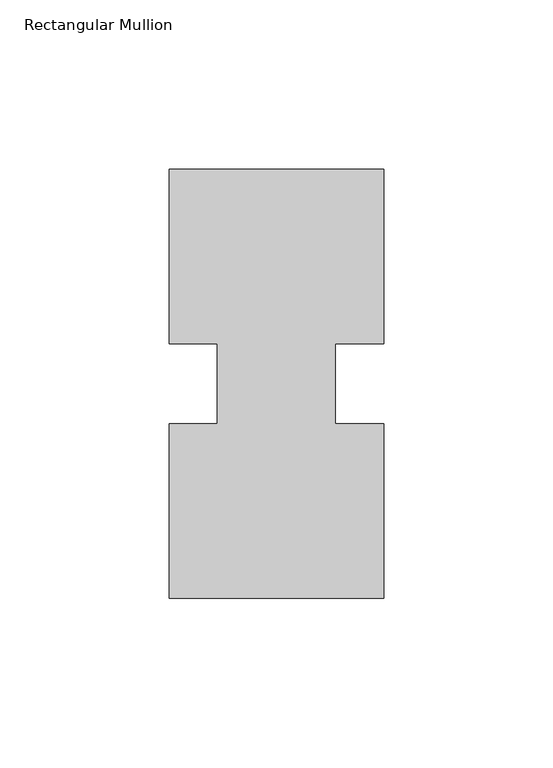
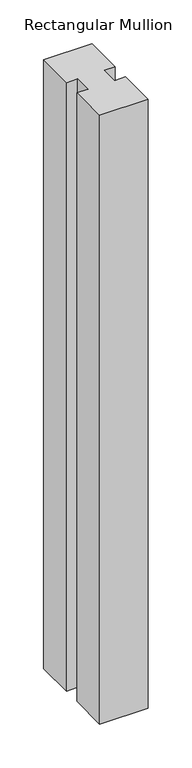
"""IFC4 building model written with IfcOpenShell, lengths in millimetres: member geometry, Rectangular Mullion."""

from ifc_helpers import new_model, si_unit, frame, origin, place, context, project, spatial, polyline, outline, extrude, source, transform, mapped, element, save


def rectangular_mullion_f54a4ccf(model_context):
    return source(origin(), model_context, "Body", "SweptSolid", [
        extrude(outline(polyline([(-31.75, 127.00635), (31.75, 127.00635), (31.75, 75.40625), (17.4625, 75.40625), (17.4625, 51.60645), (31.75, 51.60645), (31.75, 0.00635), (-31.75, 0.00635), (-31.75, 51.60645), (-17.4625, 51.60645), (-17.4625, 75.40625), (-31.75, 75.40625), (-31.75, 127.00635)])), frame((0.0, 0.0, -844.55), z_axis=(0.0, 0.0, 1.0), x_axis=(1.0, 0.0, 0.0)), (0.0, 0.0, 1.0), 844.55),
    ])


if __name__ == "__main__":
    model = new_model("IFC4")
    model_context = context("Model", 3, world=origin())
    ifc_project = project(units=[si_unit("LENGTHUNIT", "METRE", prefix="MILLI")], contexts=[model_context])
    site = spatial("IfcSite", under=ifc_project)
    building = spatial("IfcBuilding", under=site)
    placement = place(None, origin())
    rectangular_mullion_shape = rectangular_mullion_f54a4ccf(model_context)
    element("IfcMember", 1, ObjectType="Rectangular Mullion", at=placement, inside=building, context=model_context, shape_type="MappedRepresentation", body=[
        mapped(rectangular_mullion_shape, transform((0.0, 0.0, 0.0), x_axis=(1.0, 0.0, 0.0), y_axis=(0.0, 1.0, 0.0), z_axis=(0.0, 0.0, 1.0))),
    ])
    save(model, "model.ifc")
